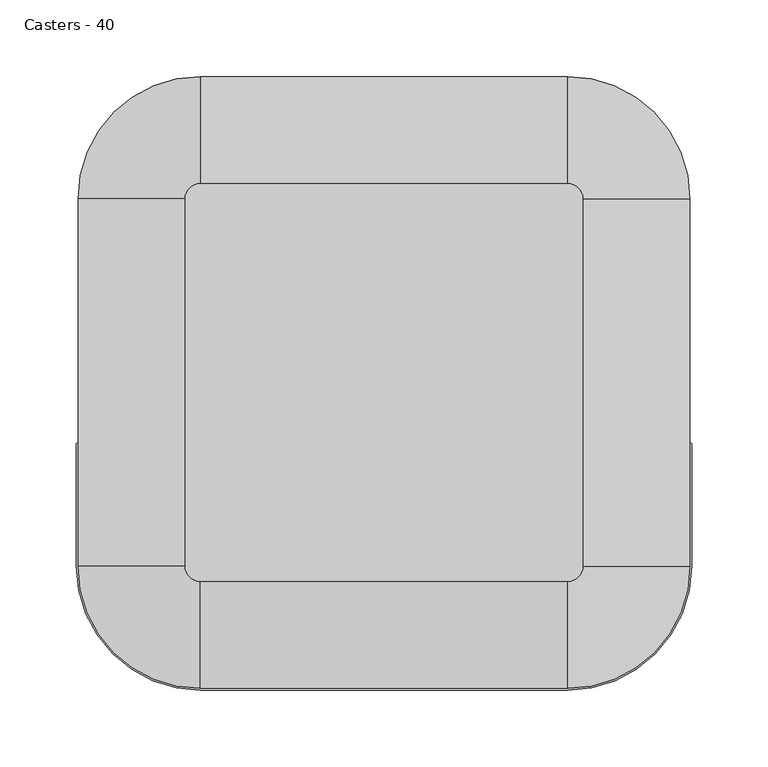
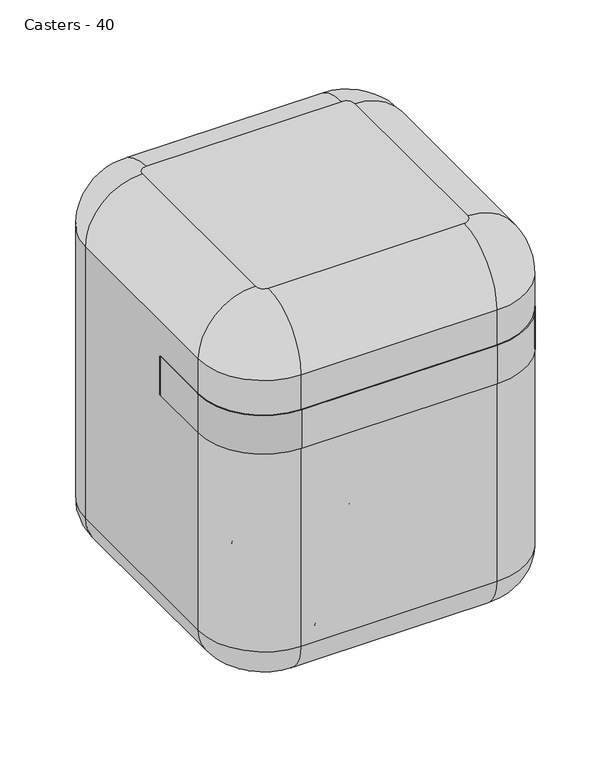
"""IFC4 building model written with IfcOpenShell, lengths in millimetres: furniture geometry, Casters - 40."""

from ifc_helpers import new_model, si_unit, point, frame, frame_2d, origin, place, context, project, spatial, polyline, circle_curve, ellipse_curve, trimmed, segment, composite_curve, outline, extrude, source, transform, mapped, element, save
from ifc_brep_helpers import plane_surface, cylinder_surface, revolved_surface, advanced_brep


def casters_40_e677a6e4(model_context):
    return source(origin(), model_context, "Body", "SolidModel", [
        extrude(outline(composite_curve([segment(trimmed(circle_curve(frame_2d((80.0, 80.0)), 80.0), [point((0.0, 80.0))], [point((80.0, 0.0))], True, "CARTESIAN"), True, "CONTINUOUS"), segment(polyline([(80.0, 0.0), (320.0, 0.0)]), True, "CONTINUOUS"), segment(trimmed(circle_curve(frame_2d((320.0, 80.0)), 80.0), [point((320.0, 0.0))], [point((400.0, 80.0))], True, "CARTESIAN"), True, "CONTINUOUS"), segment(polyline([(400.0, 80.0), (400.0, 160.0)]), True, "CONTINUOUS"), segment(trimmed(circle_curve(frame_2d((400.5, 160.0)), 0.5), [point((400.0, 160.0))], [point((401.0, 160.0))], False, "CARTESIAN"), True, "CONTINUOUS"), segment(polyline([(401.0, 160.0), (401.0, 80.0)]), True, "CONTINUOUS"), segment(trimmed(circle_curve(frame_2d((320.0, 80.0)), 81.0), [point((401.0, 80.0))], [point((320.0, -1.0))], False, "CARTESIAN"), True, "CONTINUOUS"), segment(polyline([(320.0, -1.0), (80.0, -1.0)]), True, "CONTINUOUS"), segment(trimmed(circle_curve(frame_2d((80.0, 80.0)), 81.0), [point((80.0, -1.0))], [point((-1.0, 80.0))], False, "CARTESIAN"), True, "CONTINUOUS"), segment(polyline([(-1.0, 80.0), (-1.0, 160.0)]), True, "CONTINUOUS"), segment(trimmed(circle_curve(frame_2d((-0.5, 160.0)), 0.5), [point((-1.0, 160.0))], [point((0.0, 160.0))], False, "CARTESIAN"), True, "CONTINUOUS"), segment(polyline([(0.0, 160.0), (0.0, 80.0)]), True, "CONTINUOUS")], self_intersect=False)), frame((0.0, 0.0, 325.0), z_axis=(0.0, 0.0, 1.0), x_axis=(1.0, 0.0, 0.0)), (0.0, 0.0, 1.0), 50.0),
        advanced_brep(
        [(119.5, 301.0, 18.0), (119.5, 290.0, 18.0), (118.5, 290.0, 18.0), (118.5, 306.0, 18.0), (105.5, 306.0, 18.0), (103.5, 304.0, 18.0), (103.5, 301.0, 18.0), (102.1466751, 296.0, 18.0), (102.1466751, 288.0, 18.0), (153.8533249, 288.0, 18.0), (153.8533249, 296.0, 18.0), (152.5, 301.0, 18.0), (152.5, 304.0, 18.0), (150.5, 306.0, 18.0), (137.5, 306.0, 18.0), (137.5, 290.0, 18.0), (136.5, 290.0, 18.0), (136.5, 301.0, 18.0), (119.5, 275.0, 18.0), (136.5, 275.0, 18.0), (136.5, 286.0, 18.0), (137.5, 286.0, 18.0), (137.5, 270.0, 18.0), (150.5, 270.0, 18.0), (152.5, 272.0, 18.0), (152.5, 275.0, 18.0), (153.8533249, 280.0, 18.0), (102.1466751, 280.0, 18.0), (103.5, 275.0, 18.0), (103.5, 272.0, 18.0), (105.5, 270.0, 18.0), (118.5, 270.0, 18.0), (118.5, 286.0, 18.0), (119.5, 286.0, 18.0)],
        [
            (0, 1),
            (1, 2),
            (2, 3),
            (3, 4),
            (4, 5, circle_curve(frame((105.5, 304.0, 18.0), z_axis=(0.0, 0.0, 1.0), x_axis=(-1.0, 0.0, 0.0)), 2.0)),
            (5, 6),
            (6, 7),
            (7, 8),
            (8, 9),
            (9, 10),
            (10, 11),
            (11, 12),
            (12, 13, circle_curve(frame((150.5, 304.0, 18.0), z_axis=(0.0, 0.0, 1.0), x_axis=(-1.0, 0.0, 0.0)), 2.0)),
            (13, 14),
            (14, 15),
            (15, 16),
            (16, 17),
            (17, 0),
            (18, 19),
            (19, 20),
            (20, 21),
            (21, 22),
            (22, 23),
            (23, 24, circle_curve(frame((150.5, 272.0, 18.0), z_axis=(0.0, 0.0, 1.0), x_axis=(-1.0, 0.0, 0.0)), 2.0)),
            (24, 25),
            (25, 26),
            (26, 9),
            (8, 27),
            (27, 28),
            (28, 29),
            (29, 30, circle_curve(frame((105.5, 272.0, 18.0), z_axis=(0.0, 0.0, 1.0), x_axis=(-1.0, 0.0, 0.0)), 2.0)),
            (30, 31),
            (31, 32),
            (32, 33),
            (33, 18),
            (33, 1, circle_curve(frame((119.5, 288.0, 18.0), z_axis=(1.0, 0.0, 0.0), x_axis=(0.0, 1.0, 0.0)), 2.0)),
            (0, 18, circle_curve(frame((119.5, 288.0, 18.0), z_axis=(-1.0, 0.0, 0.0), x_axis=(0.0, 1.0, 0.0)), 13.0)),
            (32, 2, circle_curve(frame((118.5, 288.0, 18.0), z_axis=(1.0, 0.0, 0.0), x_axis=(0.0, 1.0, 0.0)), 2.0)),
            (31, 3, circle_curve(frame((118.5, 288.0, 18.0), z_axis=(1.0, 0.0, 0.0), x_axis=(0.0, 1.0, 0.0)), 18.0)),
            (30, 4, circle_curve(frame((105.5, 288.0, 18.0), z_axis=(1.0, 0.0, 0.0), x_axis=(0.0, 1.0, 0.0)), 18.0)),
            (29, 5, circle_curve(frame((103.5, 288.0, 18.0), z_axis=(1.0, 0.0, 0.0), x_axis=(0.0, 1.0, 0.0)), 16.0)),
            (28, 6, circle_curve(frame((103.5, 288.0, 18.0), z_axis=(1.0, 0.0, 0.0), x_axis=(0.0, 1.0, 0.0)), 13.0)),
            (27, 7, circle_curve(frame((102.1466751, 288.0, 18.0), z_axis=(1.0, 0.0, 0.0), x_axis=(0.0, 1.0, 0.0)), 8.0)),
            (26, 10, circle_curve(frame((153.8533249, 288.0, 18.0), z_axis=(1.0, 0.0, 0.0), x_axis=(0.0, 1.0, 0.0)), 8.0)),
            (25, 11, circle_curve(frame((152.5, 288.0, 18.0), z_axis=(1.0, 0.0, 0.0), x_axis=(0.0, 1.0, 0.0)), 13.0)),
            (24, 12, circle_curve(frame((152.5, 288.0, 18.0), z_axis=(1.0, 0.0, 0.0), x_axis=(0.0, 1.0, 0.0)), 16.0)),
            (23, 13, circle_curve(frame((150.5, 288.0, 18.0), z_axis=(1.0, 0.0, 0.0), x_axis=(0.0, 1.0, 0.0)), 18.0)),
            (22, 14, circle_curve(frame((137.5, 288.0, 18.0), z_axis=(1.0, 0.0, 0.0), x_axis=(0.0, 1.0, 0.0)), 18.0)),
            (21, 15, circle_curve(frame((137.5, 288.0, 18.0), z_axis=(1.0, 0.0, 0.0), x_axis=(0.0, 1.0, 0.0)), 2.0)),
            (20, 16, circle_curve(frame((136.5, 288.0, 18.0), z_axis=(1.0, 0.0, 0.0), x_axis=(0.0, 1.0, 0.0)), 2.0)),
            (19, 17, circle_curve(frame((136.5, 288.0, 18.0), z_axis=(1.0, 0.0, 0.0), x_axis=(0.0, 1.0, 0.0)), 13.0)),
        ],
        [
            plane_surface(frame((52.1466751, 288.0, 18.0), z_axis=(0.0, 0.0, 1.0), x_axis=(0.0, 1.0, 0.0))),
            plane_surface(frame((52.1466751, 288.0, 18.0), z_axis=(0.0, 0.0, 1.0), x_axis=(0.0, -1.0, 0.0))),
            plane_surface(frame((119.5, 288.0, 18.0), z_axis=(-1.0, 0.0, 0.0), x_axis=(0.0, 1.0, 0.0))),
            cylinder_surface(frame((52.1466751, 288.0, 18.0), z_axis=(-1.0, 0.0, 0.0), x_axis=(0.0, 1.0, 0.0)), 2.0),
            plane_surface(frame((118.5, 288.0, 18.0), z_axis=(1.0, 0.0, 0.0), x_axis=(0.0, 1.0, 0.0))),
            cylinder_surface(frame((52.1466751, 288.0, 18.0), z_axis=(-1.0, 0.0, 0.0), x_axis=(0.0, 1.0, 0.0)), 18.0),
            revolved_surface(trimmed(ellipse_curve(frame((105.5, 304.0, 18.0), z_axis=(0.0, 0.0, 1.0), x_axis=(-1.0, 0.0, 0.0)), 2.0, 2.0), [point((105.5, 306.0, 18.0))], [point((103.5, 304.0, 18.0))], True, "CARTESIAN"), (52.1466751, 288.0, 18.0), (-1.0, 0.0, 0.0)),
            plane_surface(frame((103.5, 288.0, 18.0), z_axis=(-1.0, 0.0, 0.0), x_axis=(0.0, 1.0, 0.0))),
            revolved_surface(polyline([(103.5, 301.0, 18.0), (102.1466751, 296.0, 18.0)]), (52.1466751, 288.0, 18.0), (-1.0, 0.0, 0.0)),
            plane_surface(frame((102.1466751, 288.0, 18.0), z_axis=(-1.0, 0.0, 0.0), x_axis=(0.0, 1.0, 0.0))),
            plane_surface(frame((153.8533249, 288.0, 18.0), z_axis=(1.0, 0.0, 0.0), x_axis=(0.0, 1.0, 0.0))),
            revolved_surface(polyline([(153.8533249, 296.0, 18.0), (152.5, 301.0, 18.0)]), (52.1466751, 288.0, 18.0), (-1.0, 0.0, 0.0)),
            plane_surface(frame((152.5, 288.0, 18.0), z_axis=(1.0, 0.0, 0.0), x_axis=(0.0, 1.0, 0.0))),
            revolved_surface(trimmed(ellipse_curve(frame((150.5, 304.0, 18.0), z_axis=(0.0, 0.0, 1.0), x_axis=(-1.0, 0.0, 0.0)), 2.0, 2.0), [point((152.5, 304.0, 18.0))], [point((150.5, 306.0, 18.0))], True, "CARTESIAN"), (52.1466751, 288.0, 18.0), (-1.0, 0.0, 0.0)),
            plane_surface(frame((137.5, 288.0, 18.0), z_axis=(-1.0, 0.0, 0.0), x_axis=(0.0, 1.0, 0.0))),
            plane_surface(frame((136.5, 288.0, 18.0), z_axis=(1.0, 0.0, 0.0), x_axis=(0.0, 1.0, 0.0))),
            cylinder_surface(frame((52.1466751, 288.0, 18.0), z_axis=(-1.0, 0.0, 0.0), x_axis=(0.0, 1.0, 0.0)), 13.0),
        ],
        [
            (0, [[1, 2, 3, 4, 5, 6, 7, 8, 9, 10, 11, 12, 13, 14, 15, 16, 17, 18]]),
            (1, [[19, 20, 21, 22, 23, 24, 25, 26, 27, -9, 28, 29, 30, 31, 32, 33, 34, 35]]),
            (2, [[36, -1, 37, -35]]),
            (3, [[38, -2, -36, -34]]),
            (4, [[39, -3, -38, -33]]),
            (5, [[40, -4, -39, -32]]),
            (6, [[41, -5, -40, -31]]),
            (7, [[42, -6, -41, -30]]),
            (8, [[43, -7, -42, -29]]),
            (9, [[-8, -43, -28]]),
            (10, [[44, -10, -27]]),
            (11, [[45, -11, -44, -26]]),
            (12, [[46, -12, -45, -25]]),
            (13, [[47, -13, -46, -24]]),
            (5, [[48, -14, -47, -23]]),
            (14, [[49, -15, -48, -22]]),
            (3, [[50, -16, -49, -21]]),
            (15, [[51, -17, -50, -20]]),
            (16, [[-37, -18, -51, -19]]),
        ],
    ),
        advanced_brep(
        [(263.5, 301.0, 18.0), (263.5, 290.0, 18.0), (262.5, 290.0, 18.0), (262.5, 306.0, 18.0), (249.5, 306.0, 18.0), (247.5, 304.0, 18.0), (247.5, 301.0, 18.0), (246.1466751, 296.0, 18.0), (246.1466751, 288.0, 18.0), (297.8533249, 288.0, 18.0), (297.8533249, 296.0, 18.0), (296.5, 301.0, 18.0), (296.5, 304.0, 18.0), (294.5, 306.0, 18.0), (281.5, 306.0, 18.0), (281.5, 290.0, 18.0), (280.5, 290.0, 18.0), (280.5, 301.0, 18.0), (263.5, 275.0, 18.0), (280.5, 275.0, 18.0), (280.5, 286.0, 18.0), (281.5, 286.0, 18.0), (281.5, 270.0, 18.0), (294.5, 270.0, 18.0), (296.5, 272.0, 18.0), (296.5, 275.0, 18.0), (297.8533249, 280.0, 18.0), (246.1466751, 280.0, 18.0), (247.5, 275.0, 18.0), (247.5, 272.0, 18.0), (249.5, 270.0, 18.0), (262.5, 270.0, 18.0), (262.5, 286.0, 18.0), (263.5, 286.0, 18.0)],
        [
            (0, 1),
            (1, 2),
            (2, 3),
            (3, 4),
            (4, 5, circle_curve(frame((249.5, 304.0, 18.0), z_axis=(0.0, 0.0, 1.0), x_axis=(-1.0, 0.0, 0.0)), 2.0)),
            (5, 6),
            (6, 7),
            (7, 8),
            (8, 9),
            (9, 10),
            (10, 11),
            (11, 12),
            (12, 13, circle_curve(frame((294.5, 304.0, 18.0), z_axis=(0.0, 0.0, 1.0), x_axis=(-1.0, 0.0, 0.0)), 2.0)),
            (13, 14),
            (14, 15),
            (15, 16),
            (16, 17),
            (17, 0),
            (18, 19),
            (19, 20),
            (20, 21),
            (21, 22),
            (22, 23),
            (23, 24, circle_curve(frame((294.5, 272.0, 18.0), z_axis=(0.0, 0.0, 1.0), x_axis=(-1.0, 0.0, 0.0)), 2.0)),
            (24, 25),
            (25, 26),
            (26, 9),
            (8, 27),
            (27, 28),
            (28, 29),
            (29, 30, circle_curve(frame((249.5, 272.0, 18.0), z_axis=(0.0, 0.0, 1.0), x_axis=(-1.0, 0.0, 0.0)), 2.0)),
            (30, 31),
            (31, 32),
            (32, 33),
            (33, 18),
            (33, 1, circle_curve(frame((263.5, 288.0, 18.0), z_axis=(1.0, 0.0, 0.0), x_axis=(0.0, 1.0, 0.0)), 2.0)),
            (0, 18, circle_curve(frame((263.5, 288.0, 18.0), z_axis=(-1.0, 0.0, 0.0), x_axis=(0.0, 1.0, 0.0)), 13.0)),
            (32, 2, circle_curve(frame((262.5, 288.0, 18.0), z_axis=(1.0, 0.0, 0.0), x_axis=(0.0, 1.0, 0.0)), 2.0)),
            (31, 3, circle_curve(frame((262.5, 288.0, 18.0), z_axis=(1.0, 0.0, 0.0), x_axis=(0.0, 1.0, 0.0)), 18.0)),
            (30, 4, circle_curve(frame((249.5, 288.0, 18.0), z_axis=(1.0, 0.0, 0.0), x_axis=(0.0, 1.0, 0.0)), 18.0)),
            (29, 5, circle_curve(frame((247.5, 288.0, 18.0), z_axis=(1.0, 0.0, 0.0), x_axis=(0.0, 1.0, 0.0)), 16.0)),
            (28, 6, circle_curve(frame((247.5, 288.0, 18.0), z_axis=(1.0, 0.0, 0.0), x_axis=(0.0, 1.0, 0.0)), 13.0)),
            (27, 7, circle_curve(frame((246.1466751, 288.0, 18.0), z_axis=(1.0, 0.0, 0.0), x_axis=(0.0, 1.0, 0.0)), 8.0)),
            (26, 10, circle_curve(frame((297.8533249, 288.0, 18.0), z_axis=(1.0, 0.0, 0.0), x_axis=(0.0, 1.0, 0.0)), 8.0)),
            (25, 11, circle_curve(frame((296.5, 288.0, 18.0), z_axis=(1.0, 0.0, 0.0), x_axis=(0.0, 1.0, 0.0)), 13.0)),
            (24, 12, circle_curve(frame((296.5, 288.0, 18.0), z_axis=(1.0, 0.0, 0.0), x_axis=(0.0, 1.0, 0.0)), 16.0)),
            (23, 13, circle_curve(frame((294.5, 288.0, 18.0), z_axis=(1.0, 0.0, 0.0), x_axis=(0.0, 1.0, 0.0)), 18.0)),
            (22, 14, circle_curve(frame((281.5, 288.0, 18.0), z_axis=(1.0, 0.0, 0.0), x_axis=(0.0, 1.0, 0.0)), 18.0)),
            (21, 15, circle_curve(frame((281.5, 288.0, 18.0), z_axis=(1.0, 0.0, 0.0), x_axis=(0.0, 1.0, 0.0)), 2.0)),
            (20, 16, circle_curve(frame((280.5, 288.0, 18.0), z_axis=(1.0, 0.0, 0.0), x_axis=(0.0, 1.0, 0.0)), 2.0)),
            (19, 17, circle_curve(frame((280.5, 288.0, 18.0), z_axis=(1.0, 0.0, 0.0), x_axis=(0.0, 1.0, 0.0)), 13.0)),
        ],
        [
            plane_surface(frame((52.1466751, 288.0, 18.0), z_axis=(0.0, 0.0, 1.0), x_axis=(0.0, 1.0, 0.0))),
            plane_surface(frame((52.1466751, 288.0, 18.0), z_axis=(0.0, 0.0, 1.0), x_axis=(0.0, -1.0, 0.0))),
            plane_surface(frame((263.5, 288.0, 18.0), z_axis=(-1.0, 0.0, 0.0), x_axis=(0.0, 1.0, 0.0))),
            cylinder_surface(frame((52.1466751, 288.0, 18.0), z_axis=(-1.0, 0.0, 0.0), x_axis=(0.0, 1.0, 0.0)), 2.0),
            plane_surface(frame((262.5, 288.0, 18.0), z_axis=(1.0, 0.0, 0.0), x_axis=(0.0, 1.0, 0.0))),
            cylinder_surface(frame((52.1466751, 288.0, 18.0), z_axis=(-1.0, 0.0, 0.0), x_axis=(0.0, 1.0, 0.0)), 18.0),
            revolved_surface(trimmed(ellipse_curve(frame((249.5, 304.0, 18.0), z_axis=(0.0, 0.0, 1.0), x_axis=(-1.0, 0.0, 0.0)), 2.0, 2.0), [point((249.5, 306.0, 18.0))], [point((247.5, 304.0, 18.0))], True, "CARTESIAN"), (52.1466751, 288.0, 18.0), (-1.0, 0.0, 0.0)),
            plane_surface(frame((247.5, 288.0, 18.0), z_axis=(-1.0, 0.0, 0.0), x_axis=(0.0, 1.0, 0.0))),
            revolved_surface(polyline([(247.5, 301.0, 18.0), (246.1466751, 296.0, 18.0)]), (52.1466751, 288.0, 18.0), (-1.0, 0.0, 0.0)),
            plane_surface(frame((246.1466751, 288.0, 18.0), z_axis=(-1.0, 0.0, 0.0), x_axis=(0.0, 1.0, 0.0))),
            plane_surface(frame((297.8533249, 288.0, 18.0), z_axis=(1.0, 0.0, 0.0), x_axis=(0.0, 1.0, 0.0))),
            revolved_surface(polyline([(297.8533249, 296.0, 18.0), (296.5, 301.0, 18.0)]), (52.1466751, 288.0, 18.0), (-1.0, 0.0, 0.0)),
            plane_surface(frame((296.5, 288.0, 18.0), z_axis=(1.0, 0.0, 0.0), x_axis=(0.0, 1.0, 0.0))),
            revolved_surface(trimmed(ellipse_curve(frame((294.5, 304.0, 18.0), z_axis=(0.0, 0.0, 1.0), x_axis=(-1.0, 0.0, 0.0)), 2.0, 2.0), [point((296.5, 304.0, 18.0))], [point((294.5, 306.0, 18.0))], True, "CARTESIAN"), (52.1466751, 288.0, 18.0), (-1.0, 0.0, 0.0)),
            plane_surface(frame((281.5, 288.0, 18.0), z_axis=(-1.0, 0.0, 0.0), x_axis=(0.0, 1.0, 0.0))),
            plane_surface(frame((280.5, 288.0, 18.0), z_axis=(1.0, 0.0, 0.0), x_axis=(0.0, 1.0, 0.0))),
            cylinder_surface(frame((52.1466751, 288.0, 18.0), z_axis=(-1.0, 0.0, 0.0), x_axis=(0.0, 1.0, 0.0)), 13.0),
        ],
        [
            (0, [[1, 2, 3, 4, 5, 6, 7, 8, 9, 10, 11, 12, 13, 14, 15, 16, 17, 18]]),
            (1, [[19, 20, 21, 22, 23, 24, 25, 26, 27, -9, 28, 29, 30, 31, 32, 33, 34, 35]]),
            (2, [[36, -1, 37, -35]]),
            (3, [[38, -2, -36, -34]]),
            (4, [[39, -3, -38, -33]]),
            (5, [[40, -4, -39, -32]]),
            (6, [[41, -5, -40, -31]]),
            (7, [[42, -6, -41, -30]]),
            (8, [[43, -7, -42, -29]]),
            (9, [[-8, -43, -28]]),
            (10, [[44, -10, -27]]),
            (11, [[45, -11, -44, -26]]),
            (12, [[46, -12, -45, -25]]),
            (13, [[47, -13, -46, -24]]),
            (5, [[48, -14, -47, -23]]),
            (14, [[49, -15, -48, -22]]),
            (3, [[50, -16, -49, -21]]),
            (15, [[51, -17, -50, -20]]),
            (16, [[-37, -18, -51, -19]]),
        ],
    ),
        advanced_brep(
        [(119.5, 99.0, 18.0), (136.5, 99.0, 18.0), (136.5, 110.0, 18.0), (137.5, 110.0, 18.0), (137.5, 94.0, 18.0), (150.5, 94.0, 18.0), (152.5, 96.0, 18.0), (152.5, 99.0, 18.0), (153.8533249, 104.0, 18.0), (153.8533249, 112.0, 18.0), (102.1466751, 112.0, 18.0), (102.1466751, 104.0, 18.0), (103.5, 99.0, 18.0), (103.5, 96.0, 18.0), (105.5, 94.0, 18.0), (118.5, 94.0, 18.0), (118.5, 110.0, 18.0), (119.5, 110.0, 18.0), (119.5, 125.0, 18.0), (119.5, 114.0, 18.0), (118.5, 114.0, 18.0), (118.5, 130.0, 18.0), (105.5, 130.0, 18.0), (103.5, 128.0, 18.0), (103.5, 125.0, 18.0), (102.1466751, 120.0, 18.0), (153.8533249, 120.0, 18.0), (152.5, 125.0, 18.0), (152.5, 128.0, 18.0), (150.5, 130.0, 18.0), (137.5, 130.0, 18.0), (137.5, 114.0, 18.0), (136.5, 114.0, 18.0), (136.5, 125.0, 18.0)],
        [
            (0, 1),
            (1, 2),
            (2, 3),
            (3, 4),
            (4, 5),
            (5, 6, circle_curve(frame((150.5, 96.0, 18.0), z_axis=(0.0, 0.0, 1.0), x_axis=(-1.0, 0.0, 0.0)), 2.0)),
            (6, 7),
            (7, 8),
            (8, 9),
            (9, 10),
            (10, 11),
            (11, 12),
            (12, 13),
            (13, 14, circle_curve(frame((105.5, 96.0, 18.0), z_axis=(0.0, 0.0, 1.0), x_axis=(-1.0, 0.0, 0.0)), 2.0)),
            (14, 15),
            (15, 16),
            (16, 17),
            (17, 0),
            (18, 19),
            (19, 20),
            (20, 21),
            (21, 22),
            (22, 23, circle_curve(frame((105.5, 128.0, 18.0), z_axis=(0.0, 0.0, 1.0), x_axis=(-1.0, 0.0, 0.0)), 2.0)),
            (23, 24),
            (24, 25),
            (25, 10),
            (9, 26),
            (26, 27),
            (27, 28),
            (28, 29, circle_curve(frame((150.5, 128.0, 18.0), z_axis=(0.0, 0.0, 1.0), x_axis=(-1.0, 0.0, 0.0)), 2.0)),
            (29, 30),
            (30, 31),
            (31, 32),
            (32, 33),
            (33, 18),
            (18, 0, circle_curve(frame((119.5, 112.0, 18.0), z_axis=(-1.0, 0.0, 0.0), x_axis=(0.0, -1.0, 0.0)), 13.0)),
            (17, 19, circle_curve(frame((119.5, 112.0, 18.0), z_axis=(1.0, 0.0, 0.0), x_axis=(0.0, -1.0, 0.0)), 2.0)),
            (16, 20, circle_curve(frame((118.5, 112.0, 18.0), z_axis=(1.0, 0.0, 0.0), x_axis=(0.0, -1.0, 0.0)), 2.0)),
            (15, 21, circle_curve(frame((118.5, 112.0, 18.0), z_axis=(1.0, 0.0, 0.0), x_axis=(0.0, -1.0, 0.0)), 18.0)),
            (14, 22, circle_curve(frame((105.5, 112.0, 18.0), z_axis=(1.0, 0.0, 0.0), x_axis=(0.0, -1.0, 0.0)), 18.0)),
            (13, 23, circle_curve(frame((103.5, 112.0, 18.0), z_axis=(1.0, 0.0, 0.0), x_axis=(0.0, -1.0, 0.0)), 16.0)),
            (12, 24, circle_curve(frame((103.5, 112.0, 18.0), z_axis=(1.0, 0.0, 0.0), x_axis=(0.0, -1.0, 0.0)), 13.0)),
            (11, 25, circle_curve(frame((102.1466751, 112.0, 18.0), z_axis=(1.0, 0.0, 0.0), x_axis=(0.0, -1.0, 0.0)), 8.0)),
            (8, 26, circle_curve(frame((153.8533249, 112.0, 18.0), z_axis=(1.0, 0.0, 0.0), x_axis=(0.0, -1.0, 0.0)), 8.0)),
            (7, 27, circle_curve(frame((152.5, 112.0, 18.0), z_axis=(1.0, 0.0, 0.0), x_axis=(0.0, -1.0, 0.0)), 13.0)),
            (6, 28, circle_curve(frame((152.5, 112.0, 18.0), z_axis=(1.0, 0.0, 0.0), x_axis=(0.0, -1.0, 0.0)), 16.0)),
            (5, 29, circle_curve(frame((150.5, 112.0, 18.0), z_axis=(1.0, 0.0, 0.0), x_axis=(0.0, -1.0, 0.0)), 18.0)),
            (4, 30, circle_curve(frame((137.5, 112.0, 18.0), z_axis=(1.0, 0.0, 0.0), x_axis=(0.0, -1.0, 0.0)), 18.0)),
            (3, 31, circle_curve(frame((137.5, 112.0, 18.0), z_axis=(1.0, 0.0, 0.0), x_axis=(0.0, -1.0, 0.0)), 2.0)),
            (2, 32, circle_curve(frame((136.5, 112.0, 18.0), z_axis=(1.0, 0.0, 0.0), x_axis=(0.0, -1.0, 0.0)), 2.0)),
            (1, 33, circle_curve(frame((136.5, 112.0, 18.0), z_axis=(1.0, 0.0, 0.0), x_axis=(0.0, -1.0, 0.0)), 13.0)),
        ],
        [
            plane_surface(frame((52.1466751, 112.0, 18.0), z_axis=(0.0, 0.0, 1.0), x_axis=(0.0, -1.0, 0.0))),
            plane_surface(frame((52.1466751, 112.0, 18.0), z_axis=(0.0, 0.0, 1.0), x_axis=(0.0, 1.0, 0.0))),
            plane_surface(frame((119.5, 112.0, 18.0), z_axis=(-1.0, 0.0, 0.0), x_axis=(0.0, -1.0, 0.0))),
            cylinder_surface(frame((52.1466751, 112.0, 18.0), z_axis=(1.0, 0.0, 0.0), x_axis=(0.0, -1.0, 0.0)), 2.0),
            plane_surface(frame((118.5, 112.0, 18.0), z_axis=(1.0, 0.0, 0.0), x_axis=(0.0, -1.0, 0.0))),
            cylinder_surface(frame((52.1466751, 112.0, 18.0), z_axis=(1.0, 0.0, 0.0), x_axis=(0.0, -1.0, 0.0)), 18.0),
            revolved_surface(trimmed(ellipse_curve(frame((105.5, 96.0, 18.0), z_axis=(0.0, 0.0, 1.0), x_axis=(-1.0, 0.0, 0.0)), 2.0, 2.0), [point((103.5, 96.0, 18.0))], [point((105.5, 94.0, 18.0))], True, "CARTESIAN"), (52.1466751, 112.0, 18.0), (1.0, 0.0, 0.0)),
            plane_surface(frame((103.5, 112.0, 18.0), z_axis=(-1.0, 0.0, 0.0), x_axis=(0.0, -1.0, 0.0))),
            revolved_surface(polyline([(102.1466751, 104.0, 18.0), (103.5, 99.0, 18.0)]), (52.1466751, 112.0, 18.0), (1.0, 0.0, 0.0)),
            plane_surface(frame((102.1466751, 112.0, 18.0), z_axis=(-1.0, 0.0, 0.0), x_axis=(0.0, -1.0, 0.0))),
            plane_surface(frame((153.8533249, 112.0, 18.0), z_axis=(1.0, 0.0, 0.0), x_axis=(0.0, -1.0, 0.0))),
            revolved_surface(polyline([(152.5, 99.0, 18.0), (153.8533249, 104.0, 18.0)]), (52.1466751, 112.0, 18.0), (1.0, 0.0, 0.0)),
            plane_surface(frame((152.5, 112.0, 18.0), z_axis=(1.0, 0.0, 0.0), x_axis=(0.0, -1.0, 0.0))),
            revolved_surface(trimmed(ellipse_curve(frame((150.5, 96.0, 18.0), z_axis=(0.0, 0.0, 1.0), x_axis=(-1.0, 0.0, 0.0)), 2.0, 2.0), [point((150.5, 94.0, 18.0))], [point((152.5, 96.0, 18.0))], True, "CARTESIAN"), (52.1466751, 112.0, 18.0), (1.0, 0.0, 0.0)),
            plane_surface(frame((137.5, 112.0, 18.0), z_axis=(-1.0, 0.0, 0.0), x_axis=(0.0, -1.0, 0.0))),
            plane_surface(frame((136.5, 112.0, 18.0), z_axis=(1.0, 0.0, 0.0), x_axis=(0.0, -1.0, 0.0))),
            cylinder_surface(frame((52.1466751, 112.0, 18.0), z_axis=(1.0, 0.0, 0.0), x_axis=(0.0, -1.0, 0.0)), 13.0),
        ],
        [
            (0, [[1, 2, 3, 4, 5, 6, 7, 8, 9, 10, 11, 12, 13, 14, 15, 16, 17, 18]]),
            (1, [[19, 20, 21, 22, 23, 24, 25, 26, -10, 27, 28, 29, 30, 31, 32, 33, 34, 35]]),
            (2, [[36, -18, 37, -19]]),
            (3, [[-37, -17, 38, -20]]),
            (4, [[-38, -16, 39, -21]]),
            (5, [[-39, -15, 40, -22]]),
            (6, [[-40, -14, 41, -23]]),
            (7, [[-41, -13, 42, -24]]),
            (8, [[-42, -12, 43, -25]]),
            (9, [[-43, -11, -26]]),
            (10, [[-9, 44, -27]]),
            (11, [[-44, -8, 45, -28]]),
            (12, [[-45, -7, 46, -29]]),
            (13, [[-46, -6, 47, -30]]),
            (5, [[-47, -5, 48, -31]]),
            (14, [[-48, -4, 49, -32]]),
            (3, [[-49, -3, 50, -33]]),
            (15, [[-50, -2, 51, -34]]),
            (16, [[-51, -1, -36, -35]]),
        ],
    ),
        advanced_brep(
        [(263.5, 99.0, 18.0), (280.5, 99.0, 18.0), (280.5, 110.0, 18.0), (281.5, 110.0, 18.0), (281.5, 94.0, 18.0), (294.5, 94.0, 18.0), (296.5, 96.0, 18.0), (296.5, 99.0, 18.0), (297.8533249, 104.0, 18.0), (297.8533249, 112.0, 18.0), (246.1466751, 112.0, 18.0), (246.1466751, 104.0, 18.0), (247.5, 99.0, 18.0), (247.5, 96.0, 18.0), (249.5, 94.0, 18.0), (262.5, 94.0, 18.0), (262.5, 110.0, 18.0), (263.5, 110.0, 18.0), (263.5, 125.0, 18.0), (263.5, 114.0, 18.0), (262.5, 114.0, 18.0), (262.5, 130.0, 18.0), (249.5, 130.0, 18.0), (247.5, 128.0, 18.0), (247.5, 125.0, 18.0), (246.1466751, 120.0, 18.0), (297.8533249, 120.0, 18.0), (296.5, 125.0, 18.0), (296.5, 128.0, 18.0), (294.5, 130.0, 18.0), (281.5, 130.0, 18.0), (281.5, 114.0, 18.0), (280.5, 114.0, 18.0), (280.5, 125.0, 18.0)],
        [
            (0, 1),
            (1, 2),
            (2, 3),
            (3, 4),
            (4, 5),
            (5, 6, circle_curve(frame((294.5, 96.0, 18.0), z_axis=(0.0, 0.0, 1.0), x_axis=(-1.0, 0.0, 0.0)), 2.0)),
            (6, 7),
            (7, 8),
            (8, 9),
            (9, 10),
            (10, 11),
            (11, 12),
            (12, 13),
            (13, 14, circle_curve(frame((249.5, 96.0, 18.0), z_axis=(0.0, 0.0, 1.0), x_axis=(-1.0, 0.0, 0.0)), 2.0)),
            (14, 15),
            (15, 16),
            (16, 17),
            (17, 0),
            (18, 19),
            (19, 20),
            (20, 21),
            (21, 22),
            (22, 23, circle_curve(frame((249.5, 128.0, 18.0), z_axis=(0.0, 0.0, 1.0), x_axis=(-1.0, 0.0, 0.0)), 2.0)),
            (23, 24),
            (24, 25),
            (25, 10),
            (9, 26),
            (26, 27),
            (27, 28),
            (28, 29, circle_curve(frame((294.5, 128.0, 18.0), z_axis=(0.0, 0.0, 1.0), x_axis=(-1.0, 0.0, 0.0)), 2.0)),
            (29, 30),
            (30, 31),
            (31, 32),
            (32, 33),
            (33, 18),
            (18, 0, circle_curve(frame((263.5, 112.0, 18.0), z_axis=(-1.0, 0.0, 0.0), x_axis=(0.0, -1.0, 0.0)), 13.0)),
            (17, 19, circle_curve(frame((263.5, 112.0, 18.0), z_axis=(1.0, 0.0, 0.0), x_axis=(0.0, -1.0, 0.0)), 2.0)),
            (16, 20, circle_curve(frame((262.5, 112.0, 18.0), z_axis=(1.0, 0.0, 0.0), x_axis=(0.0, -1.0, 0.0)), 2.0)),
            (15, 21, circle_curve(frame((262.5, 112.0, 18.0), z_axis=(1.0, 0.0, 0.0), x_axis=(0.0, -1.0, 0.0)), 18.0)),
            (14, 22, circle_curve(frame((249.5, 112.0, 18.0), z_axis=(1.0, 0.0, 0.0), x_axis=(0.0, -1.0, 0.0)), 18.0)),
            (13, 23, circle_curve(frame((247.5, 112.0, 18.0), z_axis=(1.0, 0.0, 0.0), x_axis=(0.0, -1.0, 0.0)), 16.0)),
            (12, 24, circle_curve(frame((247.5, 112.0, 18.0), z_axis=(1.0, 0.0, 0.0), x_axis=(0.0, -1.0, 0.0)), 13.0)),
            (11, 25, circle_curve(frame((246.1466751, 112.0, 18.0), z_axis=(1.0, 0.0, 0.0), x_axis=(0.0, -1.0, 0.0)), 8.0)),
            (8, 26, circle_curve(frame((297.8533249, 112.0, 18.0), z_axis=(1.0, 0.0, 0.0), x_axis=(0.0, -1.0, 0.0)), 8.0)),
            (7, 27, circle_curve(frame((296.5, 112.0, 18.0), z_axis=(1.0, 0.0, 0.0), x_axis=(0.0, -1.0, 0.0)), 13.0)),
            (6, 28, circle_curve(frame((296.5, 112.0, 18.0), z_axis=(1.0, 0.0, 0.0), x_axis=(0.0, -1.0, 0.0)), 16.0)),
            (5, 29, circle_curve(frame((294.5, 112.0, 18.0), z_axis=(1.0, 0.0, 0.0), x_axis=(0.0, -1.0, 0.0)), 18.0)),
            (4, 30, circle_curve(frame((281.5, 112.0, 18.0), z_axis=(1.0, 0.0, 0.0), x_axis=(0.0, -1.0, 0.0)), 18.0)),
            (3, 31, circle_curve(frame((281.5, 112.0, 18.0), z_axis=(1.0, 0.0, 0.0), x_axis=(0.0, -1.0, 0.0)), 2.0)),
            (2, 32, circle_curve(frame((280.5, 112.0, 18.0), z_axis=(1.0, 0.0, 0.0), x_axis=(0.0, -1.0, 0.0)), 2.0)),
            (1, 33, circle_curve(frame((280.5, 112.0, 18.0), z_axis=(1.0, 0.0, 0.0), x_axis=(0.0, -1.0, 0.0)), 13.0)),
        ],
        [
            plane_surface(frame((52.1466751, 112.0, 18.0), z_axis=(0.0, 0.0, 1.0), x_axis=(0.0, -1.0, 0.0))),
            plane_surface(frame((52.1466751, 112.0, 18.0), z_axis=(0.0, 0.0, 1.0), x_axis=(0.0, 1.0, 0.0))),
            plane_surface(frame((263.5, 112.0, 18.0), z_axis=(-1.0, 0.0, 0.0), x_axis=(0.0, -1.0, 0.0))),
            cylinder_surface(frame((52.1466751, 112.0, 18.0), z_axis=(1.0, 0.0, 0.0), x_axis=(0.0, -1.0, 0.0)), 2.0),
            plane_surface(frame((262.5, 112.0, 18.0), z_axis=(1.0, 0.0, 0.0), x_axis=(0.0, -1.0, 0.0))),
            cylinder_surface(frame((52.1466751, 112.0, 18.0), z_axis=(1.0, 0.0, 0.0), x_axis=(0.0, -1.0, 0.0)), 18.0),
            revolved_surface(trimmed(ellipse_curve(frame((249.5, 96.0, 18.0), z_axis=(0.0, 0.0, 1.0), x_axis=(-1.0, 0.0, 0.0)), 2.0, 2.0), [point((247.5, 96.0, 18.0))], [point((249.5, 94.0, 18.0))], True, "CARTESIAN"), (52.1466751, 112.0, 18.0), (1.0, 0.0, 0.0)),
            plane_surface(frame((247.5, 112.0, 18.0), z_axis=(-1.0, 0.0, 0.0), x_axis=(0.0, -1.0, 0.0))),
            revolved_surface(polyline([(246.1466751, 104.0, 18.0), (247.5, 99.0, 18.0)]), (52.1466751, 112.0, 18.0), (1.0, 0.0, 0.0)),
            plane_surface(frame((246.1466751, 112.0, 18.0), z_axis=(-1.0, 0.0, 0.0), x_axis=(0.0, -1.0, 0.0))),
            plane_surface(frame((297.8533249, 112.0, 18.0), z_axis=(1.0, 0.0, 0.0), x_axis=(0.0, -1.0, 0.0))),
            revolved_surface(polyline([(296.5, 99.0, 18.0), (297.8533249, 104.0, 18.0)]), (52.1466751, 112.0, 18.0), (1.0, 0.0, 0.0)),
            plane_surface(frame((296.5, 112.0, 18.0), z_axis=(1.0, 0.0, 0.0), x_axis=(0.0, -1.0, 0.0))),
            revolved_surface(trimmed(ellipse_curve(frame((294.5, 96.0, 18.0), z_axis=(0.0, 0.0, 1.0), x_axis=(-1.0, 0.0, 0.0)), 2.0, 2.0), [point((294.5, 94.0, 18.0))], [point((296.5, 96.0, 18.0))], True, "CARTESIAN"), (52.1466751, 112.0, 18.0), (1.0, 0.0, 0.0)),
            plane_surface(frame((281.5, 112.0, 18.0), z_axis=(-1.0, 0.0, 0.0), x_axis=(0.0, -1.0, 0.0))),
            plane_surface(frame((280.5, 112.0, 18.0), z_axis=(1.0, 0.0, 0.0), x_axis=(0.0, -1.0, 0.0))),
            cylinder_surface(frame((52.1466751, 112.0, 18.0), z_axis=(1.0, 0.0, 0.0), x_axis=(0.0, -1.0, 0.0)), 13.0),
        ],
        [
            (0, [[1, 2, 3, 4, 5, 6, 7, 8, 9, 10, 11, 12, 13, 14, 15, 16, 17, 18]]),
            (1, [[19, 20, 21, 22, 23, 24, 25, 26, -10, 27, 28, 29, 30, 31, 32, 33, 34, 35]]),
            (2, [[36, -18, 37, -19]]),
            (3, [[-37, -17, 38, -20]]),
            (4, [[-38, -16, 39, -21]]),
            (5, [[-39, -15, 40, -22]]),
            (6, [[-40, -14, 41, -23]]),
            (7, [[-41, -13, 42, -24]]),
            (8, [[-42, -12, 43, -25]]),
            (9, [[-43, -11, -26]]),
            (10, [[-9, 44, -27]]),
            (11, [[-44, -8, 45, -28]]),
            (12, [[-45, -7, 46, -29]]),
            (13, [[-46, -6, 47, -30]]),
            (5, [[-47, -5, 48, -31]]),
            (14, [[-48, -4, 49, -32]]),
            (3, [[-49, -3, 50, -33]]),
            (15, [[-50, -2, 51, -34]]),
            (16, [[-51, -1, -36, -35]]),
        ],
    ),
        advanced_brep(
        [(330.0, 320.0, 490.0), (320.0, 330.0, 490.0), (80.0, 330.0, 490.0), (70.0, 320.0, 490.0), (70.0, 80.0, 490.0), (80.0, 70.0, 490.0), (320.0, 70.0, 490.0), (330.0, 80.0, 490.0), (320.0, 350.0, 18.0), (350.0, 320.0, 18.0), (350.0, 80.0, 18.0), (320.0, 50.0, 18.0), (80.0, 50.0, 18.0), (50.0, 80.0, 18.0), (50.0, 320.0, 18.0), (80.0, 350.0, 18.0), (400.0, 320.0, 420.0), (320.0, 400.0, 420.0), (400.0, 320.0, 68.0), (320.0, 400.0, 68.0), (400.0, 80.0, 420.0), (400.0, 80.0, 68.0), (320.0, 0.0, 420.0), (320.0, 0.0, 68.0), (80.0, 0.0, 420.0), (80.0, 0.0, 68.0), (0.0, 80.0, 420.0), (0.0, 80.0, 68.0), (0.0, 320.0, 420.0), (0.0, 320.0, 68.0), (80.0, 400.0, 420.0), (80.0, 400.0, 68.0)],
        [
            (0, 1, circle_curve(frame((320.0, 320.0, 490.0), z_axis=(0.0, 0.0, 1.0), x_axis=(0.0, 1.0, 0.0)), 10.0)),
            (1, 2),
            (2, 3, circle_curve(frame((80.0, 320.0, 490.0), z_axis=(0.0, 0.0, 1.0), x_axis=(-1.0, 0.0, 0.0)), 10.0)),
            (3, 4),
            (4, 5, circle_curve(frame((80.0, 80.0, 490.0), z_axis=(0.0, 0.0, 1.0), x_axis=(0.0, -1.0, 0.0)), 10.0)),
            (5, 6),
            (6, 7, circle_curve(frame((320.0, 80.0, 490.0), z_axis=(0.0, 0.0, 1.0), x_axis=(1.0, 0.0, 0.0)), 10.0)),
            (7, 0),
            (8, 9, circle_curve(frame((320.0, 320.0, 18.0), z_axis=(0.0, 0.0, -1.0), x_axis=(0.0, 1.0, 0.0)), 30.0)),
            (9, 10),
            (10, 11, circle_curve(frame((320.0, 80.0, 18.0), z_axis=(0.0, 0.0, -1.0), x_axis=(1.0, 0.0, 0.0)), 30.0)),
            (11, 12),
            (12, 13, circle_curve(frame((80.0, 80.0, 18.0), z_axis=(0.0, 0.0, -1.0), x_axis=(0.0, -1.0, 0.0)), 30.0)),
            (13, 14),
            (14, 15, circle_curve(frame((80.0, 320.0, 18.0), z_axis=(0.0, 0.0, -1.0), x_axis=(-1.0, 0.0, 0.0)), 30.0)),
            (15, 8),
            (16, 17, circle_curve(frame((320.0, 320.0, 420.0), z_axis=(0.0, 0.0, 1.0), x_axis=(0.0, 1.0, 0.0)), 80.0)),
            (17, 1, circle_curve(frame((320.0, 330.0, 420.0), z_axis=(1.0, 0.0, 0.0), x_axis=(0.0, 1.0, 0.0)), 70.0)),
            (0, 16, circle_curve(frame((330.0, 320.0, 420.0), z_axis=(0.0, 1.0, 0.0), x_axis=(1.0, 0.0, 0.0)), 70.0)),
            (16, 18),
            (18, 19, circle_curve(frame((320.0, 320.0, 68.0), z_axis=(0.0, 0.0, 1.0), x_axis=(0.0, 1.0, 0.0)), 80.0)),
            (19, 17),
            (18, 9, circle_curve(frame((350.0, 320.0, 68.0), z_axis=(0.0, 1.0, 0.0), x_axis=(1.0, 0.0, 0.0)), 50.0)),
            (8, 19, circle_curve(frame((320.0, 350.0, 68.0), z_axis=(1.0, 0.0, 0.0), x_axis=(0.0, 1.0, 0.0)), 50.0)),
            (7, 20, circle_curve(frame((330.0, 80.0, 420.0), z_axis=(0.0, 1.0, 0.0), x_axis=(1.0, 0.0, 0.0)), 70.0)),
            (20, 16),
            (20, 21),
            (21, 18),
            (21, 10, circle_curve(frame((350.0, 80.0, 68.0), z_axis=(0.0, 1.0, 0.0), x_axis=(1.0, 0.0, 0.0)), 50.0)),
            (6, 22, circle_curve(frame((320.0, 70.0, 420.0), z_axis=(1.0, 0.0, 0.0), x_axis=(0.0, -1.0, 0.0)), 70.0)),
            (22, 20, circle_curve(frame((320.0, 80.0, 420.0), z_axis=(0.0, 0.0, 1.0), x_axis=(1.0, 0.0, 0.0)), 80.0)),
            (22, 23),
            (23, 21, circle_curve(frame((320.0, 80.0, 68.0), z_axis=(0.0, 0.0, 1.0), x_axis=(1.0, 0.0, 0.0)), 80.0)),
            (23, 11, circle_curve(frame((320.0, 50.0, 68.0), z_axis=(1.0, 0.0, 0.0), x_axis=(0.0, -1.0, 0.0)), 50.0)),
            (5, 24, circle_curve(frame((80.0, 70.0, 420.0), z_axis=(1.0, 0.0, 0.0), x_axis=(0.0, -1.0, 0.0)), 70.0)),
            (24, 22),
            (24, 25),
            (25, 23),
            (25, 12, circle_curve(frame((80.0, 50.0, 68.0), z_axis=(1.0, 0.0, 0.0), x_axis=(0.0, -1.0, 0.0)), 50.0)),
            (4, 26, circle_curve(frame((70.0, 80.0, 420.0), z_axis=(0.0, -1.0, 0.0), x_axis=(-1.0, 0.0, 0.0)), 70.0)),
            (26, 24, circle_curve(frame((80.0, 80.0, 420.0), z_axis=(0.0, 0.0, 1.0), x_axis=(0.0, -1.0, 0.0)), 80.0)),
            (26, 27),
            (27, 25, circle_curve(frame((80.0, 80.0, 68.0), z_axis=(0.0, 0.0, 1.0), x_axis=(0.0, -1.0, 0.0)), 80.0)),
            (27, 13, circle_curve(frame((50.0, 80.0, 68.0), z_axis=(0.0, -1.0, 0.0), x_axis=(-1.0, 0.0, 0.0)), 50.0)),
            (3, 28, circle_curve(frame((70.0, 320.0, 420.0), z_axis=(0.0, -1.0, 0.0), x_axis=(-1.0, 0.0, 0.0)), 70.0)),
            (28, 26),
            (28, 29),
            (29, 27),
            (29, 14, circle_curve(frame((50.0, 320.0, 68.0), z_axis=(0.0, -1.0, 0.0), x_axis=(-1.0, 0.0, 0.0)), 50.0)),
            (2, 30, circle_curve(frame((80.0, 330.0, 420.0), z_axis=(-1.0, 0.0, 0.0), x_axis=(0.0, 1.0, 0.0)), 70.0)),
            (30, 28, circle_curve(frame((80.0, 320.0, 420.0), z_axis=(0.0, 0.0, 1.0), x_axis=(-1.0, 0.0, 0.0)), 80.0)),
            (30, 31),
            (31, 29, circle_curve(frame((80.0, 320.0, 68.0), z_axis=(0.0, 0.0, 1.0), x_axis=(-1.0, 0.0, 0.0)), 80.0)),
            (31, 15, circle_curve(frame((80.0, 350.0, 68.0), z_axis=(-1.0, 0.0, 0.0), x_axis=(0.0, 1.0, 0.0)), 50.0)),
            (17, 30),
            (19, 31),
        ],
        [
            plane_surface(frame((80.0, 323.0, 490.0), z_axis=(0.0, 0.0, 1.0), x_axis=(-1.0, 0.0, 0.0))),
            plane_surface(frame((80.0, 323.0, 18.0), z_axis=(0.0, 0.0, -1.0), x_axis=(1.0, 0.0, 0.0))),
            revolved_surface(trimmed(ellipse_curve(frame((320.0, 330.0, 420.0), z_axis=(-1.0, 0.0, 0.0), x_axis=(0.0, 1.0, 0.0)), 70.0, 70.0), [point((320.0, 330.0, 490.0))], [point((320.0, 400.0, 420.0))], True, "CARTESIAN"), (320.0, 320.0, 0.0), (0.0, 0.0, -1.0)),
            cylinder_surface(frame((320.0, 320.0, 0.0), z_axis=(0.0, 0.0, -1.0), x_axis=(0.0, 1.0, 0.0)), 80.0),
            revolved_surface(trimmed(ellipse_curve(frame((320.0, 350.0, 68.0), z_axis=(-1.0, 0.0, 0.0), x_axis=(0.0, 1.0, 0.0)), 50.0, 50.0), [point((320.0, 400.0, 68.0))], [point((320.0, 350.0, 18.0))], True, "CARTESIAN"), (320.0, 320.0, 0.0), (0.0, 0.0, -1.0)),
            cylinder_surface(frame((330.0, 320.0, 420.0), z_axis=(0.0, 1.0, 0.0), x_axis=(1.0, 0.0, 0.0)), 70.0),
            plane_surface(frame((400.0, 320.0, 420.0), z_axis=(1.0, 0.0, 0.0), x_axis=(0.0, -1.0, 0.0))),
            cylinder_surface(frame((350.0, 320.0, 68.0), z_axis=(0.0, 1.0, 0.0), x_axis=(1.0, 0.0, 0.0)), 50.0),
            revolved_surface(trimmed(ellipse_curve(frame((330.0, 80.0, 420.0), z_axis=(0.0, 1.0, 0.0), x_axis=(1.0, 0.0, 0.0)), 70.0, 70.0), [point((330.0, 80.0, 490.0))], [point((400.0, 80.0, 420.0))], True, "CARTESIAN"), (320.0, 80.0, 0.0), (0.0, 0.0, -1.0)),
            cylinder_surface(frame((320.0, 80.0, 0.0), z_axis=(0.0, 0.0, -1.0), x_axis=(1.0, 0.0, 0.0)), 80.0),
            revolved_surface(trimmed(ellipse_curve(frame((350.0, 80.0, 68.0), z_axis=(0.0, 1.0, 0.0), x_axis=(1.0, 0.0, 0.0)), 50.0, 50.0), [point((400.0, 80.0, 68.0))], [point((350.0, 80.0, 18.0))], True, "CARTESIAN"), (320.0, 80.0, 0.0), (0.0, 0.0, -1.0)),
            cylinder_surface(frame((320.0, 70.0, 420.0), z_axis=(1.0, 0.0, 0.0), x_axis=(0.0, -1.0, 0.0)), 70.0),
            plane_surface(frame((320.0, 0.0, 420.0), z_axis=(0.0, -1.0, 0.0), x_axis=(-1.0, 0.0, 0.0))),
            cylinder_surface(frame((320.0, 50.0, 68.0), z_axis=(1.0, 0.0, 0.0), x_axis=(0.0, -1.0, 0.0)), 50.0),
            revolved_surface(trimmed(ellipse_curve(frame((80.0, 70.0, 420.0), z_axis=(1.0, 0.0, 0.0), x_axis=(0.0, -1.0, 0.0)), 70.0, 70.0), [point((80.0, 70.0, 490.0))], [point((80.0, 0.0, 420.0))], True, "CARTESIAN"), (80.0, 80.0, 0.0), (0.0, 0.0, -1.0)),
            cylinder_surface(frame((80.0, 80.0, 0.0), z_axis=(0.0, 0.0, -1.0), x_axis=(0.0, -1.0, 0.0)), 80.0),
            revolved_surface(trimmed(ellipse_curve(frame((80.0, 50.0, 68.0), z_axis=(1.0, 0.0, 0.0), x_axis=(0.0, -1.0, 0.0)), 50.0, 50.0), [point((80.0, 0.0, 68.0))], [point((80.0, 50.0, 18.0))], True, "CARTESIAN"), (80.0, 80.0, 0.0), (0.0, 0.0, -1.0)),
            cylinder_surface(frame((70.0, 80.0, 420.0), z_axis=(0.0, -1.0, 0.0), x_axis=(-1.0, 0.0, 0.0)), 70.0),
            plane_surface(frame((0.0, 80.0, 420.0), z_axis=(-1.0, 0.0, 0.0), x_axis=(0.0, 1.0, 0.0))),
            cylinder_surface(frame((50.0, 80.0, 68.0), z_axis=(0.0, -1.0, 0.0), x_axis=(-1.0, 0.0, 0.0)), 50.0),
            revolved_surface(trimmed(ellipse_curve(frame((70.0, 320.0, 420.0), z_axis=(0.0, -1.0, 0.0), x_axis=(-1.0, 0.0, 0.0)), 70.0, 70.0), [point((70.0, 320.0, 490.0))], [point((0.0, 320.0, 420.0))], True, "CARTESIAN"), (80.0, 320.0, 0.0), (0.0, 0.0, -1.0)),
            cylinder_surface(frame((80.0, 320.0, 0.0), z_axis=(0.0, 0.0, -1.0), x_axis=(-1.0, 0.0, 0.0)), 80.0),
            revolved_surface(trimmed(ellipse_curve(frame((50.0, 320.0, 68.0), z_axis=(0.0, -1.0, 0.0), x_axis=(-1.0, 0.0, 0.0)), 50.0, 50.0), [point((0.0, 320.0, 68.0))], [point((50.0, 320.0, 18.0))], True, "CARTESIAN"), (80.0, 320.0, 0.0), (0.0, 0.0, -1.0)),
            cylinder_surface(frame((80.0, 330.0, 420.0), z_axis=(-1.0, 0.0, 0.0), x_axis=(0.0, 1.0, 0.0)), 70.0),
            plane_surface(frame((80.0, 400.0, 420.0), z_axis=(0.0, 1.0, 0.0), x_axis=(1.0, 0.0, 0.0))),
            cylinder_surface(frame((80.0, 350.0, 68.0), z_axis=(-1.0, 0.0, 0.0), x_axis=(0.0, 1.0, 0.0)), 50.0),
        ],
        [
            (0, [[1, 2, 3, 4, 5, 6, 7, 8]]),
            (1, [[9, 10, 11, 12, 13, 14, 15, 16]]),
            (2, [[17, 18, -1, 19]]),
            (3, [[-17, 20, 21, 22]]),
            (4, [[-21, 23, -9, 24]]),
            (5, [[-19, -8, 25, 26]]),
            (6, [[-20, -26, 27, 28]]),
            (7, [[-23, -28, 29, -10]]),
            (8, [[-25, -7, 30, 31]]),
            (9, [[-27, -31, 32, 33]]),
            (10, [[-29, -33, 34, -11]]),
            (11, [[-30, -6, 35, 36]]),
            (12, [[-32, -36, 37, 38]]),
            (13, [[-34, -38, 39, -12]]),
            (14, [[-35, -5, 40, 41]]),
            (15, [[-37, -41, 42, 43]]),
            (16, [[-39, -43, 44, -13]]),
            (17, [[-40, -4, 45, 46]]),
            (18, [[-42, -46, 47, 48]]),
            (19, [[-44, -48, 49, -14]]),
            (20, [[-45, -3, 50, 51]]),
            (21, [[-47, -51, 52, 53]]),
            (22, [[-49, -53, 54, -15]]),
            (23, [[-18, 55, -50, -2]]),
            (24, [[-22, 56, -52, -55]]),
            (25, [[-24, -16, -54, -56]]),
        ],
    ),
    ])


if __name__ == "__main__":
    model = new_model("IFC4")
    model_context = context("Model", 3, world=origin())
    ifc_project = project(units=[si_unit("LENGTHUNIT", "METRE", prefix="MILLI")], contexts=[model_context])
    site = spatial("IfcSite", under=ifc_project)
    building = spatial("IfcBuilding", under=site)
    placement = place(None, origin())
    casters_40_shape = casters_40_e677a6e4(model_context)
    element("IfcFurniture", 1, ObjectType="Casters - 40", at=placement, inside=building, context=model_context, shape_type="MappedRepresentation", body=[
        mapped(casters_40_shape, transform((0.0, 0.0, 0.0), x_axis=(1.0, 0.0, 0.0), y_axis=(0.0, 1.0, 0.0), z_axis=(0.0, 0.0, 1.0))),
    ])
    save(model, "model.ifc")
